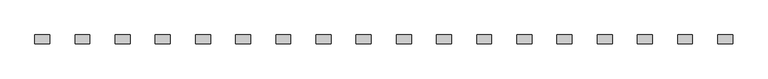
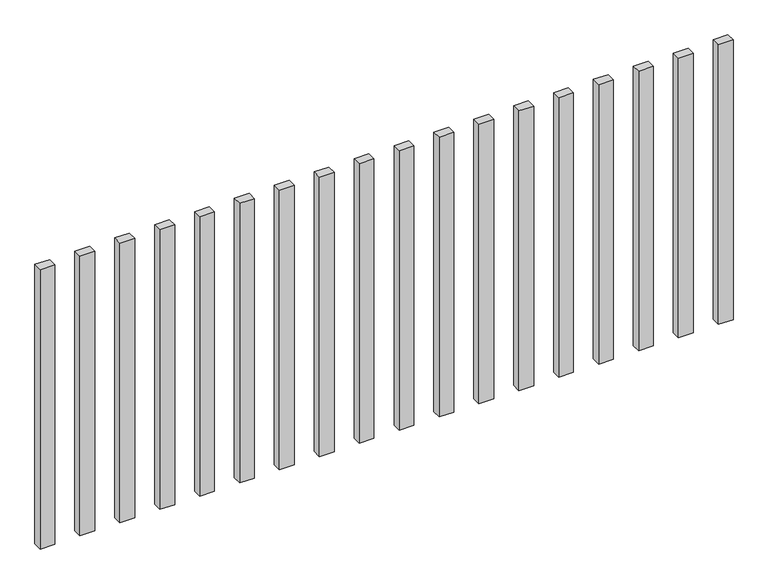
"""IFC4 building model written with IfcOpenShell, lengths in millimetres: railing geometry."""

from ifc_helpers import new_model, si_unit, origin, origin_with_axes, place, context, project, spatial, polyline, outline, extrude, source, transform, mapped, element, save


def railing_6d4bc7aa(model_context):
    return source(origin(), model_context, "Body", "SweptSolid", [
        extrude(outline(polyline([(-1107.5700772, -81944.0267127), (-1107.5700772, -81914.0267127), (-1057.5700772, -81914.0267127), (-1057.5700772, -81944.0267127), (-1107.5700772, -81944.0267127)])), origin_with_axes(), (0.0, 0.0, 1.0), 1000.0),
        extrude(outline(polyline([(-1242.5700772, -81944.0267127), (-1242.5700772, -81914.0267127), (-1192.5700772, -81914.0267127), (-1192.5700772, -81944.0267127), (-1242.5700772, -81944.0267127)])), origin_with_axes(), (0.0, 0.0, 1.0), 1000.0),
        extrude(outline(polyline([(-1377.5700772, -81944.0267127), (-1377.5700772, -81914.0267127), (-1327.5700772, -81914.0267127), (-1327.5700772, -81944.0267127), (-1377.5700772, -81944.0267127)])), origin_with_axes(), (0.0, 0.0, 1.0), 1000.0),
        extrude(outline(polyline([(-1512.5700772, -81944.0267127), (-1512.5700772, -81914.0267127), (-1462.5700772, -81914.0267127), (-1462.5700772, -81944.0267127), (-1512.5700772, -81944.0267127)])), origin_with_axes(), (0.0, 0.0, 1.0), 1000.0),
        extrude(outline(polyline([(-1647.5700772, -81944.0267127), (-1647.5700772, -81914.0267127), (-1597.5700772, -81914.0267127), (-1597.5700772, -81944.0267127), (-1647.5700772, -81944.0267127)])), origin_with_axes(), (0.0, 0.0, 1.0), 1000.0),
        extrude(outline(polyline([(-1782.5700772, -81944.0267127), (-1782.5700772, -81914.0267127), (-1732.5700772, -81914.0267127), (-1732.5700772, -81944.0267127), (-1782.5700772, -81944.0267127)])), origin_with_axes(), (0.0, 0.0, 1.0), 1000.0),
        extrude(outline(polyline([(-1917.5700772, -81944.0267127), (-1917.5700772, -81914.0267127), (-1867.5700772, -81914.0267127), (-1867.5700772, -81944.0267127), (-1917.5700772, -81944.0267127)])), origin_with_axes(), (0.0, 0.0, 1.0), 1000.0),
        extrude(outline(polyline([(-2052.5700772, -81944.0267127), (-2052.5700772, -81914.0267127), (-2002.5700772, -81914.0267127), (-2002.5700772, -81944.0267127), (-2052.5700772, -81944.0267127)])), origin_with_axes(), (0.0, 0.0, 1.0), 1000.0),
        extrude(outline(polyline([(-2187.5700772, -81944.0267127), (-2187.5700772, -81914.0267127), (-2137.5700772, -81914.0267127), (-2137.5700772, -81944.0267127), (-2187.5700772, -81944.0267127)])), origin_with_axes(), (0.0, 0.0, 1.0), 1000.0),
        extrude(outline(polyline([(-2322.5700772, -81944.0267127), (-2322.5700772, -81914.0267127), (-2272.5700772, -81914.0267127), (-2272.5700772, -81944.0267127), (-2322.5700772, -81944.0267127)])), origin_with_axes(), (0.0, 0.0, 1.0), 1000.0),
        extrude(outline(polyline([(-2457.5700772, -81944.0267127), (-2457.5700772, -81914.0267127), (-2407.5700772, -81914.0267127), (-2407.5700772, -81944.0267127), (-2457.5700772, -81944.0267127)])), origin_with_axes(), (0.0, 0.0, 1.0), 1000.0),
        extrude(outline(polyline([(-2592.5700772, -81944.0267127), (-2592.5700772, -81914.0267127), (-2542.5700772, -81914.0267127), (-2542.5700772, -81944.0267127), (-2592.5700772, -81944.0267127)])), origin_with_axes(), (0.0, 0.0, 1.0), 1000.0),
        extrude(outline(polyline([(-2727.5700772, -81944.0267127), (-2727.5700772, -81914.0267127), (-2677.5700772, -81914.0267127), (-2677.5700772, -81944.0267127), (-2727.5700772, -81944.0267127)])), origin_with_axes(), (0.0, 0.0, 1.0), 1000.0),
        extrude(outline(polyline([(-2862.5700772, -81944.0267127), (-2862.5700772, -81914.0267127), (-2812.5700772, -81914.0267127), (-2812.5700772, -81944.0267127), (-2862.5700772, -81944.0267127)])), origin_with_axes(), (0.0, 0.0, 1.0), 1000.0),
        extrude(outline(polyline([(-2997.5700772, -81944.0267127), (-2997.5700772, -81914.0267127), (-2947.5700772, -81914.0267127), (-2947.5700772, -81944.0267127), (-2997.5700772, -81944.0267127)])), origin_with_axes(), (0.0, 0.0, 1.0), 1000.0),
        extrude(outline(polyline([(-3132.5700772, -81944.0267127), (-3132.5700772, -81914.0267127), (-3082.5700772, -81914.0267127), (-3082.5700772, -81944.0267127), (-3132.5700772, -81944.0267127)])), origin_with_axes(), (0.0, 0.0, 1.0), 1000.0),
        extrude(outline(polyline([(-3267.5700772, -81944.0267127), (-3267.5700772, -81914.0267127), (-3217.5700772, -81914.0267127), (-3217.5700772, -81944.0267127), (-3267.5700772, -81944.0267127)])), origin_with_axes(), (0.0, 0.0, 1.0), 1000.0),
        extrude(outline(polyline([(-3402.5700772, -81944.0267127), (-3402.5700772, -81914.0267127), (-3352.5700772, -81914.0267127), (-3352.5700772, -81944.0267127), (-3402.5700772, -81944.0267127)])), origin_with_axes(), (0.0, 0.0, 1.0), 1000.0),
    ])


if __name__ == "__main__":
    model = new_model("IFC4")
    model_context = context("Model", 3, world=origin())
    ifc_project = project(units=[si_unit("LENGTHUNIT", "METRE", prefix="MILLI")], contexts=[model_context])
    site = spatial("IfcSite", under=ifc_project)
    building = spatial("IfcBuilding", under=site)
    placement = place(None, origin())
    railing_shape = railing_6d4bc7aa(model_context)
    element("IfcRailing", 1, at=placement, inside=building, context=model_context, shape_type="MappedRepresentation", body=[
        mapped(railing_shape, transform((0.0, 0.0, 0.0), x_axis=(1.0, 0.0, 0.0), y_axis=(0.0, 1.0, 0.0), z_axis=(0.0, 0.0, 1.0))),
    ])
    save(model, "model.ifc")
